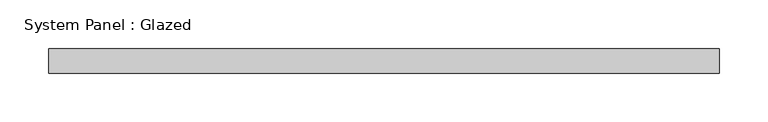
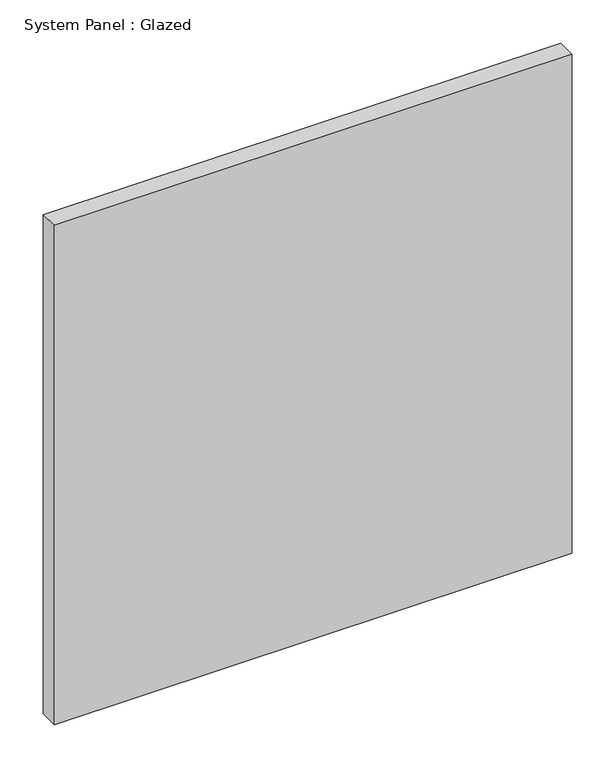
"""IFC4 building model written with IfcOpenShell, lengths in millimetres: plate geometry, System Panel : Glazed."""

import ifcopenshell
import ifcopenshell.guid

model = None  # the IFC model being written
_history = None  # IfcOwnerHistory: only IFC2X3 demands one
_inside = {}  # id of a spatial element -> (the spatial element, [elements in it])
_under = {}  # id of a project, library or spatial element -> (it, [spatial elements below it])
_declared = {}  # id of a project -> (the project, [libraries it declares])
_typed = {}  # id of a type object -> (the type object, [elements of that type])
_made_of = {}  # id of a material, layer set ... -> (it, [elements and type objects made of it])


def new_model(schema):
    """Start an empty IFC model of exactly this schema.

    Asked for "IFC4X3", IfcOpenShell would pick the latest addendum, in which some entities
    have other attributes; the version numbers below select the first issue.
    IFC2X3 requires an IfcOwnerHistory on every rooted entity: one is made here for all.
    """
    global model, _history
    if schema == "IFC4X3":
        model = ifcopenshell.file(schema_version=(4, 3, 0, 0))
    else:
        model = ifcopenshell.file(schema=schema)
    _inside.clear()
    _under.clear()
    _declared.clear()
    _typed.clear()
    _made_of.clear()
    _history = None
    if model.schema == "IFC2X3":
        org = make("IfcOrganization", Name="unknown")
        user = make(
            "IfcPersonAndOrganization",
            ThePerson=make("IfcPerson", FamilyName="unknown"),
            TheOrganization=org,
        )
        app = make(
            "IfcApplication",
            ApplicationDeveloper=org,
            Version="unknown",
            ApplicationFullName="unknown",
            ApplicationIdentifier="unknown",
        )
        _history = make(
            "IfcOwnerHistory",
            OwningUser=user,
            OwningApplication=app,
            ChangeAction="ADDED",
            CreationDate=0,
        )
    return model


def make(cls, **values):
    """One entity of the class cls with the attributes given. An attribute that is None is left unset."""
    return model.create_entity(
        cls, **{name: value for name, value in values.items() if value is not None}
    )


def rooted(cls, **values):
    """An entity with a GlobalId (a new one), such as an element, a storey or a relation."""
    return make(cls, GlobalId=ifcopenshell.guid.new(), OwnerHistory=_history, **values)


def si_unit(unit_type, name, prefix=None):
    """IfcSIUnit, for example si_unit("LENGTHUNIT", "METRE", prefix="MILLI")."""
    return make("IfcSIUnit", UnitType=unit_type, Prefix=prefix, Name=name)


def assignment(units):
    """IfcUnitAssignment: the units of a project."""
    return None if units is None else make("IfcUnitAssignment", Units=units)


def point(xyz):
    """IfcCartesianPoint."""
    return None if xyz is None else make("IfcCartesianPoint", Coordinates=xyz)


def direction(xyz):
    """IfcDirection."""
    return None if xyz is None else make("IfcDirection", DirectionRatios=xyz)


def frame(location, z_axis=None, x_axis=None):
    """IfcAxis2Placement3D, a coordinate frame: its origin and axes. An axis left out is left unset."""
    return make(
        "IfcAxis2Placement3D",
        Location=point(location),
        Axis=direction(z_axis),
        RefDirection=direction(x_axis),
    )


def origin():
    """The frame at (0, 0, 0) with its axes left unset."""
    return frame((0.0, 0.0, 0.0))


def origin_with_axes():
    """The frame at (0, 0, 0) with the z axis (0, 0, 1) and the x axis (1, 0, 0) written out."""
    return frame((0.0, 0.0, 0.0), z_axis=(0.0, 0.0, 1.0), x_axis=(1.0, 0.0, 0.0))


def place(relative_to, where):
    """IfcLocalPlacement: puts the frame where relative to a parent placement (None: the world)."""
    return make(
        "IfcLocalPlacement", PlacementRelTo=relative_to, RelativePlacement=where
    )


def context(
    kind, dimensions, precision=None, world=None, true_north=None, identifier=None
):
    """IfcGeometricRepresentationContext, for example the 3D "Model" context."""
    return make(
        "IfcGeometricRepresentationContext",
        ContextIdentifier=identifier,
        ContextType=kind,
        CoordinateSpaceDimension=dimensions,
        Precision=precision,
        WorldCoordinateSystem=world,
        TrueNorth=true_north,
    )


def project(units=None, contexts=None):
    """IfcProject with its units and contexts."""
    return rooted(
        "IfcProject",
        Name="project",
        RepresentationContexts=contexts,
        UnitsInContext=assignment(units),
    )


def spatial(cls, under=None, at=None, **own):
    """A site, building, storey or space (cls), placed at a placement, below another one or the project."""
    s = rooted(cls, ObjectPlacement=at, **own)
    if under is not None:
        _under.setdefault(under.id(), (under, []))[1].append(s)
    return s


def polyline(points):
    """IfcPolyline through the points."""
    return make("IfcPolyline", Points=[point(p) for p in points])


def outline(outer, holes=None, kind="AREA"):
    """IfcArbitraryClosedProfileDef: a profile drawn as a closed curve; with holes, ...WithVoids."""
    if holes is None:
        return make("IfcArbitraryClosedProfileDef", ProfileType=kind, OuterCurve=outer)
    return make(
        "IfcArbitraryProfileDefWithVoids",
        ProfileType=kind,
        OuterCurve=outer,
        InnerCurves=holes,
    )


def extrude(swept, where, along, depth):
    """IfcExtrudedAreaSolid: the profile swept, set in the frame where, extruded along a direction by depth."""
    return make(
        "IfcExtrudedAreaSolid",
        SweptArea=swept,
        Position=where,
        ExtrudedDirection=direction(along),
        Depth=depth,
    )


def shape(context_of_items, identifier, shape_type, items):
    """IfcShapeRepresentation: the items that make up one representation, for example the "Body"."""
    return make(
        "IfcShapeRepresentation",
        ContextOfItems=context_of_items,
        RepresentationIdentifier=identifier,
        RepresentationType=shape_type,
        Items=items,
    )


def source(mapping_origin, context_of_items, identifier, shape_type, items):
    """IfcRepresentationMap: a shape defined once, which mapped items show again and again."""
    return make(
        "IfcRepresentationMap",
        MappingOrigin=mapping_origin,
        MappedRepresentation=shape(context_of_items, identifier, shape_type, items),
    )


def transform(
    local_origin,
    x_axis=None,
    y_axis=None,
    z_axis=None,
    scale=None,
    scale2=None,
    scale3=None,
    uniform=True,
):
    """IfcCartesianTransformationOperator3D, or its non-uniform kind. x_axis, y_axis, z_axis: its Axis1, 2, 3."""
    if uniform:
        return make(
            "IfcCartesianTransformationOperator3D",
            Axis1=direction(x_axis),
            Axis2=direction(y_axis),
            LocalOrigin=point(local_origin),
            Scale=scale,
            Axis3=direction(z_axis),
        )
    return make(
        "IfcCartesianTransformationOperator3DnonUniform",
        Axis1=direction(x_axis),
        Axis2=direction(y_axis),
        LocalOrigin=point(local_origin),
        Scale=scale,
        Axis3=direction(z_axis),
        Scale2=scale2,
        Scale3=scale3,
    )


def mapped(mapping_source, mapping_target):
    """IfcMappedItem: shows the shape of a source again, moved by a transform."""
    return make(
        "IfcMappedItem", MappingSource=mapping_source, MappingTarget=mapping_target
    )


def made_of(thing, what):
    """Note that an element or type object is made of a material, layer set ...; save() writes the relation."""
    if what is not None:
        _made_of.setdefault(what.id(), (what, []))[1].append(thing)
    return thing


def element(
    cls,
    number,
    at=None,
    inside=None,
    cuts=None,
    type_object=None,
    material=None,
    context=None,
    identifier="Body",
    shape_type=None,
    held_by="IfcProductDefinitionShape",
    body=None,
    shapes=None,
    **own,
):
    """One element of the class cls, such as IfcWall. Its Tag is "e" and its number.

    at: its placement. inside: the storey or other place that contains it. cuts: it is an
    opening in that element (IfcRelVoidsElement). A single representation is given by context,
    identifier, shape_type and body (its items); several are given by shapes. held_by: the class
    of the entity that holds the representations. save() writes the other relations.
    """
    e = rooted(cls, Tag="e%d" % number, ObjectPlacement=at, **own)
    if body is not None:
        shapes = [shape(context, identifier, shape_type, body)]
    if shapes is not None:
        e.Representation = make(held_by, Representations=shapes)
    if inside is not None:
        _inside.setdefault(inside.id(), (inside, []))[1].append(e)
    if cuts is not None:
        rooted(
            "IfcRelVoidsElement", RelatingBuildingElement=cuts, RelatedOpeningElement=e
        )
    if type_object is not None:
        _typed.setdefault(type_object.id(), (type_object, []))[1].append(e)
    return made_of(e, material)


def aggregate(whole, parts):
    """IfcRelAggregates: a whole, such as a stair, and the parts it consists of."""
    return rooted("IfcRelAggregates", RelatingObject=whole, RelatedObjects=parts)


def save(model, path):
    """Write the relations noted so far, then the file.

    IfcRelAggregates (storeys below a building ...), IfcRelContainedInSpatialStructure (elements
    in a storey), IfcRelDefinesByType, IfcRelAssociatesMaterial and IfcRelDeclares: one each for
    every whole, place, type object, material and project.
    """
    for whole, parts in _under.values():
        aggregate(whole, parts)
    for where, things in _inside.values():
        rooted(
            "IfcRelContainedInSpatialStructure",
            RelatedElements=things,
            RelatingStructure=where,
        )
    for kind, things in _typed.values():
        rooted("IfcRelDefinesByType", RelatedObjects=things, RelatingType=kind)
    for what, things in _made_of.values():
        rooted("IfcRelAssociatesMaterial", RelatedObjects=things, RelatingMaterial=what)
    for by, libraries in _declared.values():
        rooted("IfcRelDeclares", RelatingContext=by, RelatedDefinitions=libraries)
    model.write(path)


def system_panel_glazed_1543ee70(model_context):
    return source(origin(), model_context, "Body", "SweptSolid", [
        extrude(outline(polyline([(345.3, -88.9), (-345.3, -88.9), (-345.3, -63.5), (345.3, -63.5), (345.3, -88.9)])), origin_with_axes(), (0.0, 0.0, 1.0), 704.6),
    ])


if __name__ == "__main__":
    model = new_model("IFC4")
    model_context = context("Model", 3, world=origin())
    ifc_project = project(units=[si_unit("LENGTHUNIT", "METRE", prefix="MILLI")], contexts=[model_context])
    site = spatial("IfcSite", under=ifc_project)
    building = spatial("IfcBuilding", under=site)
    placement = place(None, origin())
    system_panel_glazed_shape = system_panel_glazed_1543ee70(model_context)
    element("IfcPlate", 1, ObjectType="System Panel : Glazed", at=placement, inside=building, context=model_context, shape_type="MappedRepresentation", body=[
        mapped(system_panel_glazed_shape, transform((0.0, 0.0, 0.0), x_axis=(1.0, 0.0, 0.0), y_axis=(0.0, 1.0, 0.0), z_axis=(0.0, 0.0, 1.0))),
    ])
    save(model, "model.ifc")
